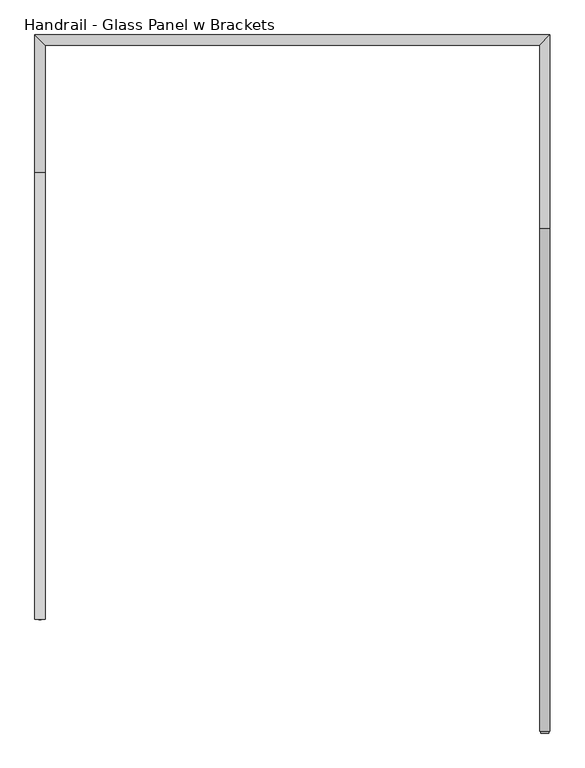
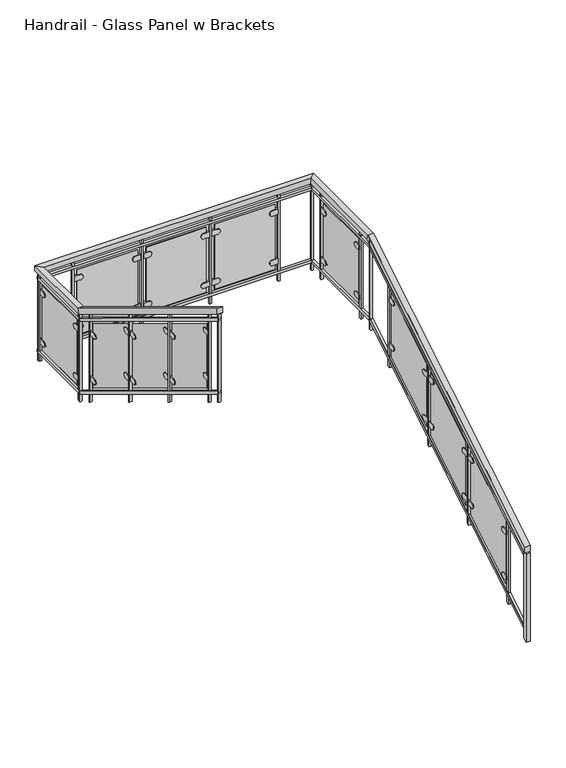
"""IFC4 building model written with IfcOpenShell, lengths in millimetres: railing geometry, Handrail - Glass Panel w Brackets."""

from ifc_helpers import new_model, si_unit, point, frame, frame_2d, origin, place, context, project, spatial, polyline, circle_curve, ellipse_curve, trimmed, segment, composite_curve, outline, extrude, faceted_brep, source, transform, mapped, element, save
from ifc_brep_helpers import plane_surface, cylinder_surface, advanced_brep


def handrail_glass_panel_w_brackets_3d0bd08e(model_context):
    return source(origin(), model_context, "Body", "SolidModel", [
        faceted_brep([(-15213.5978678, -2131.266536, 1083.7333333), (-15264.3978678, -2131.266536, 1083.7333333), (-15264.3978678, -2131.266536, 1024.3318731), (-15213.5978678, -2131.266536, 1024.3318731), (-15213.5978678, 383.333464, 2607.7333333), (-15264.3978678, 383.333464, 2607.7333333), (-15264.3978678, 397.5258734, 2556.9333333), (-15213.5978678, 397.5258734, 2556.9333333), (-15213.5978678, 1348.533464, 2607.7333333), (-15264.3978678, 1297.733464, 2607.7333333), (-15264.3978678, 1297.733464, 2556.9333333), (-15213.5978678, 1348.533464, 2556.9333333), (-17790.2743809, 1348.533464, 2607.7333333), (-17739.4743809, 1297.733464, 2607.7333333), (-17739.4743809, 1297.733464, 2556.9333333), (-17790.2743809, 1348.533464, 2556.9333333), (-17790.2743809, 662.733464, 2607.7333333), (-17739.4743809, 662.733464, 2607.7333333), (-17739.4743809, 648.5410545, 2556.9333333), (-17790.2743809, 648.5410545, 2556.9333333), (-17790.2743809, -1572.466536, 3962.4), (-17790.2743809, -1572.466536, 3902.9985397), (-17739.4743809, -1572.466536, 3902.9985397), (-17739.4743809, -1572.466536, 3962.4)], [[[0, 1, 2, 3]], [[1, 0, 4, 5]], [[2, 1, 5, 6]], [[3, 2, 6, 7]], [[0, 3, 7, 4]], [[5, 4, 8, 9]], [[6, 5, 9, 10]], [[7, 6, 10, 11]], [[4, 7, 11, 8]], [[9, 8, 12, 13]], [[10, 9, 13, 14]], [[11, 10, 14, 15]], [[8, 11, 15, 12]], [[13, 12, 16, 17]], [[14, 13, 17, 18]], [[15, 14, 18, 19]], [[12, 15, 19, 16]], [[20, 21, 22, 23]], [[17, 16, 20, 23]], [[18, 17, 23, 22]], [[19, 18, 22, 21]], [[16, 19, 21, 20]]]),
        faceted_brep([(-15226.2978678, -2131.266536, 982.1333333), (-15251.6978678, -2131.266536, 982.1333333), (-15251.6978678, -2131.266536, 952.4326032), (-15226.2978678, -2131.266536, 952.4326032), (-15226.2978678, 383.333464, 2506.1333333), (-15251.6978678, 383.333464, 2506.1333333), (-15251.6978678, 390.4296687, 2480.7333333), (-15226.2978678, 390.4296687, 2480.7333333), (-15226.2978678, 1335.833464, 2506.1333333), (-15251.6978678, 1310.433464, 2506.1333333), (-15251.6978678, 1310.433464, 2480.7333333), (-15226.2978678, 1335.833464, 2480.7333333), (-17777.5743809, 1335.833464, 2506.1333333), (-17752.1743809, 1310.433464, 2506.1333333), (-17752.1743809, 1310.433464, 2480.7333333), (-17777.5743809, 1335.833464, 2480.7333333), (-17777.5743809, 662.733464, 2506.1333333), (-17752.1743809, 662.733464, 2506.1333333), (-17752.1743809, 655.6372592, 2480.7333333), (-17777.5743809, 655.6372592, 2480.7333333), (-17777.5743809, -1572.466536, 3860.8), (-17777.5743809, -1572.466536, 3831.0992699), (-17752.1743809, -1572.466536, 3831.0992699), (-17752.1743809, -1572.466536, 3860.8)], [[[0, 1, 2, 3]], [[1, 0, 4, 5]], [[2, 1, 5, 6]], [[3, 2, 6, 7]], [[0, 3, 7, 4]], [[5, 4, 8, 9]], [[6, 5, 9, 10]], [[7, 6, 10, 11]], [[4, 7, 11, 8]], [[9, 8, 12, 13]], [[10, 9, 13, 14]], [[11, 10, 14, 15]], [[8, 11, 15, 12]], [[13, 12, 16, 17]], [[14, 13, 17, 18]], [[15, 14, 18, 19]], [[12, 15, 19, 16]], [[20, 21, 22, 23]], [[17, 16, 20, 23]], [[18, 17, 23, 22]], [[19, 18, 22, 21]], [[16, 19, 21, 20]]]),
        faceted_brep([(-15226.2978678, -2131.266536, 270.9333333), (-15251.6978678, -2131.266536, 270.9333333), (-15251.6978678, -2131.266536, 241.2326032), (-15226.2978678, -2131.266536, 241.2326032), (-15226.2978678, 383.333464, 1794.9333333), (-15251.6978678, 383.333464, 1794.9333333), (-15251.6978678, 390.4296687, 1769.5333333), (-15226.2978678, 390.4296687, 1769.5333333), (-15226.2978678, 1335.833464, 1794.9333333), (-15251.6978678, 1310.433464, 1794.9333333), (-15251.6978678, 1310.433464, 1769.5333333), (-15226.2978678, 1335.833464, 1769.5333333), (-17777.5743809, 1335.833464, 1794.9333333), (-17752.1743809, 1310.433464, 1794.9333333), (-17752.1743809, 1310.433464, 1769.5333333), (-17777.5743809, 1335.833464, 1769.5333333), (-17777.5743809, 662.733464, 1794.9333333), (-17752.1743809, 662.733464, 1794.9333333), (-17752.1743809, 655.6372592, 1769.5333333), (-17777.5743809, 655.6372592, 1769.5333333), (-17777.5743809, -1572.466536, 3149.6), (-17777.5743809, -1572.466536, 3119.8992699), (-17752.1743809, -1572.466536, 3119.8992699), (-17752.1743809, -1572.466536, 3149.6)], [[[0, 1, 2, 3]], [[1, 0, 4, 5]], [[2, 1, 5, 6]], [[3, 2, 6, 7]], [[0, 3, 7, 4]], [[5, 4, 8, 9]], [[6, 5, 9, 10]], [[7, 6, 10, 11]], [[4, 7, 11, 8]], [[9, 8, 12, 13]], [[10, 9, 13, 14]], [[11, 10, 14, 15]], [[8, 11, 15, 12]], [[13, 12, 16, 17]], [[14, 13, 17, 18]], [[15, 14, 18, 19]], [[12, 15, 19, 16]], [[20, 21, 22, 23]], [[17, 16, 20, 23]], [[18, 17, 23, 22]], [[19, 18, 22, 21]], [[16, 19, 21, 20]]]),
        extrude(outline(polyline([(-1416.891536, 3808.710661), (-1397.841536, 3797.1652064), (-1397.841536, 2933.8356134), (-1416.891536, 2945.381068), (-1416.891536, 3808.710661)])), frame((-17774.3993809, 0.0, 0.0), z_axis=(1.0, 0.0, 0.0), x_axis=(0.0, 1.0, 0.0)), (0.0, 0.0, 1.0), 19.05),
        extrude(outline(composite_curve([segment(trimmed(circle_curve(frame_2d((-1343.866536, 3604.5387736)), 25.4), [point((-1343.866536, 3629.9387736))], [point((-1343.866536, 3579.1387736))], False, "CARTESIAN"), True, "CONTINUOUS"), segment(polyline([(-1343.866536, 3579.1387736), (-1394.666536, 3579.1387736), (-1394.666536, 3629.9387736), (-1343.866536, 3629.9387736)]), True, "CONTINUOUS")], self_intersect=False)), frame((-17771.2243809, 0.0, 0.0), z_axis=(1.0, 0.0, 0.0), x_axis=(0.0, 1.0, 0.0)), (0.0, 0.0, 1.0), 19.05),
        extrude(outline(composite_curve([segment(polyline([(-835.866536, 3260.4842282), (-785.066536, 3260.4842282), (-785.066536, 3209.6842282), (-835.866536, 3209.6842282)]), True, "CONTINUOUS"), segment(trimmed(circle_curve(frame_2d((-835.866536, 3235.0842282)), 25.4), [point((-835.866536, 3209.6842282))], [point((-835.866536, 3260.4842282))], False, "CARTESIAN"), True, "CONTINUOUS")], self_intersect=False)), frame((-17771.2243809, 0.0, 0.0), z_axis=(1.0, 0.0, 0.0), x_axis=(0.0, 1.0, 0.0)), (0.0, 0.0, 1.0), 19.05),
        extrude(outline(composite_curve([segment(trimmed(circle_curve(frame_2d((-1343.866536, 3160.6453447)), 25.4), [point((-1343.866536, 3186.0453447))], [point((-1343.866536, 3135.2453447))], False, "CARTESIAN"), True, "CONTINUOUS"), segment(polyline([(-1343.866536, 3135.2453447), (-1394.666536, 3135.2453447), (-1394.666536, 3186.0453447), (-1343.866536, 3186.0453447)]), True, "CONTINUOUS")], self_intersect=False)), frame((-17771.2243809, 0.0, 0.0), z_axis=(1.0, 0.0, 0.0), x_axis=(0.0, 1.0, 0.0)), (0.0, 0.0, 1.0), 19.05),
        extrude(outline(composite_curve([segment(polyline([(-835.866536, 2816.5907993), (-785.066536, 2816.5907993), (-785.066536, 2765.7907993), (-835.866536, 2765.7907993)]), True, "CONTINUOUS"), segment(trimmed(circle_curve(frame_2d((-835.866536, 2791.1907993)), 25.4), [point((-835.866536, 2765.7907993))], [point((-835.866536, 2816.5907993))], False, "CARTESIAN"), True, "CONTINUOUS")], self_intersect=False)), frame((-17771.2243809, 0.0, 0.0), z_axis=(1.0, 0.0, 0.0), x_axis=(0.0, 1.0, 0.0)), (0.0, 0.0, 1.0), 19.05),
        extrude(outline(polyline([(-810.466536, 3339.5803579), (-810.466536, 2717.4825483), (-1369.266536, 3056.149215), (-1369.266536, 3678.2470246), (-810.466536, 3339.5803579)])), frame((-17764.8743809, 0.0, 0.0), z_axis=(1.0, 0.0, 0.0), x_axis=(0.0, 1.0, 0.0)), (0.0, 0.0, 1.0), 6.35),
        extrude(outline(polyline([(-781.891536, 3423.8621761), (-762.841536, 3412.3167216), (-762.841536, 2548.9871286), (-781.891536, 2560.5325831), (-781.891536, 3423.8621761)])), frame((-17774.3993809, 0.0, 0.0), z_axis=(1.0, 0.0, 0.0), x_axis=(0.0, 1.0, 0.0)), (0.0, 0.0, 1.0), 19.05),
        extrude(outline(composite_curve([segment(trimmed(circle_curve(frame_2d((-708.866536, 3219.6902888)), 25.4), [point((-708.866536, 3245.0902888))], [point((-708.866536, 3194.2902888))], False, "CARTESIAN"), True, "CONTINUOUS"), segment(polyline([(-708.866536, 3194.2902888), (-759.666536, 3194.2902888), (-759.666536, 3245.0902888), (-708.866536, 3245.0902888)]), True, "CONTINUOUS")], self_intersect=False)), frame((-17771.2243809, 0.0, 0.0), z_axis=(1.0, 0.0, 0.0), x_axis=(0.0, 1.0, 0.0)), (0.0, 0.0, 1.0), 19.05),
        extrude(outline(composite_curve([segment(polyline([(-200.866536, 2875.6357433), (-150.066536, 2875.6357433), (-150.066536, 2824.8357433), (-200.866536, 2824.8357433)]), True, "CONTINUOUS"), segment(trimmed(circle_curve(frame_2d((-200.866536, 2850.2357433)), 25.4), [point((-200.866536, 2824.8357433))], [point((-200.866536, 2875.6357433))], False, "CARTESIAN"), True, "CONTINUOUS")], self_intersect=False)), frame((-17771.2243809, 0.0, 0.0), z_axis=(1.0, 0.0, 0.0), x_axis=(0.0, 1.0, 0.0)), (0.0, 0.0, 1.0), 19.05),
        extrude(outline(composite_curve([segment(trimmed(circle_curve(frame_2d((-708.866536, 2775.7968599)), 25.4), [point((-708.866536, 2801.1968599))], [point((-708.866536, 2750.3968599))], False, "CARTESIAN"), True, "CONTINUOUS"), segment(polyline([(-708.866536, 2750.3968599), (-759.666536, 2750.3968599), (-759.666536, 2801.1968599), (-708.866536, 2801.1968599)]), True, "CONTINUOUS")], self_intersect=False)), frame((-17771.2243809, 0.0, 0.0), z_axis=(1.0, 0.0, 0.0), x_axis=(0.0, 1.0, 0.0)), (0.0, 0.0, 1.0), 19.05),
        extrude(outline(composite_curve([segment(polyline([(-200.866536, 2431.7423144), (-150.066536, 2431.7423144), (-150.066536, 2380.9423144), (-200.866536, 2380.9423144)]), True, "CONTINUOUS"), segment(trimmed(circle_curve(frame_2d((-200.866536, 2406.3423144)), 25.4), [point((-200.866536, 2380.9423144))], [point((-200.866536, 2431.7423144))], False, "CARTESIAN"), True, "CONTINUOUS")], self_intersect=False)), frame((-17771.2243809, 0.0, 0.0), z_axis=(1.0, 0.0, 0.0), x_axis=(0.0, 1.0, 0.0)), (0.0, 0.0, 1.0), 19.05),
        extrude(outline(polyline([(-175.466536, 2954.7318731), (-175.466536, 2332.6340635), (-734.266536, 2671.3007301), (-734.266536, 3293.3985397), (-175.466536, 2954.7318731)])), frame((-17764.8743809, 0.0, 0.0), z_axis=(1.0, 0.0, 0.0), x_axis=(0.0, 1.0, 0.0)), (0.0, 0.0, 1.0), 6.35),
        extrude(outline(polyline([(-146.891536, 3039.0136913), (-127.841536, 3027.4682367), (-127.841536, 2164.1386437), (-146.891536, 2175.6840983), (-146.891536, 3039.0136913)])), frame((-17774.3993809, 0.0, 0.0), z_axis=(1.0, 0.0, 0.0), x_axis=(0.0, 1.0, 0.0)), (0.0, 0.0, 1.0), 19.05),
        extrude(outline(composite_curve([segment(trimmed(circle_curve(frame_2d((-73.866536, 2834.8418039)), 25.4), [point((-73.866536, 2860.2418039))], [point((-73.866536, 2809.4418039))], False, "CARTESIAN"), True, "CONTINUOUS"), segment(polyline([(-73.866536, 2809.4418039), (-124.666536, 2809.4418039), (-124.666536, 2860.2418039), (-73.866536, 2860.2418039)]), True, "CONTINUOUS")], self_intersect=False)), frame((-17771.2243809, 0.0, 0.0), z_axis=(1.0, 0.0, 0.0), x_axis=(0.0, 1.0, 0.0)), (0.0, 0.0, 1.0), 19.05),
        extrude(outline(composite_curve([segment(polyline([(434.133464, 2490.7872585), (484.933464, 2490.7872585), (484.933464, 2439.9872585), (434.133464, 2439.9872585)]), True, "CONTINUOUS"), segment(trimmed(circle_curve(frame_2d((434.133464, 2465.3872585)), 25.4), [point((434.133464, 2439.9872585))], [point((434.133464, 2490.7872585))], False, "CARTESIAN"), True, "CONTINUOUS")], self_intersect=False)), frame((-17771.2243809, 0.0, 0.0), z_axis=(1.0, 0.0, 0.0), x_axis=(0.0, 1.0, 0.0)), (0.0, 0.0, 1.0), 19.05),
        extrude(outline(composite_curve([segment(trimmed(circle_curve(frame_2d((-73.866536, 2390.9483751)), 25.4), [point((-73.866536, 2416.3483751))], [point((-73.866536, 2365.5483751))], False, "CARTESIAN"), True, "CONTINUOUS"), segment(polyline([(-73.866536, 2365.5483751), (-124.666536, 2365.5483751), (-124.666536, 2416.3483751), (-73.866536, 2416.3483751)]), True, "CONTINUOUS")], self_intersect=False)), frame((-17771.2243809, 0.0, 0.0), z_axis=(1.0, 0.0, 0.0), x_axis=(0.0, 1.0, 0.0)), (0.0, 0.0, 1.0), 19.05),
        extrude(outline(composite_curve([segment(polyline([(434.133464, 2046.8938296), (484.933464, 2046.8938296), (484.933464, 1996.0938296), (434.133464, 1996.0938296)]), True, "CONTINUOUS"), segment(trimmed(circle_curve(frame_2d((434.133464, 2021.4938296)), 25.4), [point((434.133464, 1996.0938296))], [point((434.133464, 2046.8938296))], False, "CARTESIAN"), True, "CONTINUOUS")], self_intersect=False)), frame((-17771.2243809, 0.0, 0.0), z_axis=(1.0, 0.0, 0.0), x_axis=(0.0, 1.0, 0.0)), (0.0, 0.0, 1.0), 19.05),
        extrude(outline(polyline([(459.533464, 2569.8833882), (459.533464, 1947.7855786), (-99.266536, 2286.4522453), (-99.266536, 2908.5500549), (459.533464, 2569.8833882)])), frame((-17764.8743809, 0.0, 0.0), z_axis=(1.0, 0.0, 0.0), x_axis=(0.0, 1.0, 0.0)), (0.0, 0.0, 1.0), 6.35),
        extrude(outline(polyline([(488.108464, 2654.1652064), (507.158464, 2642.6197519), (507.158464, 1779.2901589), (488.108464, 1790.8356134), (488.108464, 2654.1652064)])), frame((-17774.3993809, 0.0, 0.0), z_axis=(1.0, 0.0, 0.0), x_axis=(0.0, 1.0, 0.0)), (0.0, 0.0, 1.0), 19.05),
        extrude(outline(polyline([(-17774.3993809, 684.958464), (-17755.3493809, 684.958464), (-17755.3493809, 665.908464), (-17774.3993809, 665.908464), (-17774.3993809, 684.958464)])), frame((0.0, 0.0, 1695.7303208), z_axis=(0.0, 0.0, 1.0), x_axis=(1.0, 0.0, 0.0)), (0.0, 0.0, 1.0), 861.2030125),
        extrude(outline(composite_curve([segment(trimmed(circle_curve(frame_2d((738.933464, 2379.1333333)), 25.4), [point((738.933464, 2404.5333333))], [point((738.933464, 2353.7333333))], False, "CARTESIAN"), True, "CONTINUOUS"), segment(polyline([(738.933464, 2353.7333333), (688.133464, 2353.7333333), (688.133464, 2404.5333333), (738.933464, 2404.5333333)]), True, "CONTINUOUS")], self_intersect=False)), frame((-17771.2243809, 0.0, 0.0), z_axis=(1.0, 0.0, 0.0), x_axis=(0.0, 1.0, 0.0)), (0.0, 0.0, 1.0), 19.05),
        extrude(outline(composite_curve([segment(polyline([(1246.933464, 2404.5333333), (1297.733464, 2404.5333333), (1297.733464, 2353.7333333), (1246.933464, 2353.7333333)]), True, "CONTINUOUS"), segment(trimmed(circle_curve(frame_2d((1246.933464, 2379.1333333)), 25.4), [point((1246.933464, 2353.7333333))], [point((1246.933464, 2404.5333333))], False, "CARTESIAN"), True, "CONTINUOUS")], self_intersect=False)), frame((-17771.2243809, 0.0, 0.0), z_axis=(1.0, 0.0, 0.0), x_axis=(0.0, 1.0, 0.0)), (0.0, 0.0, 1.0), 19.05),
        extrude(outline(composite_curve([segment(trimmed(circle_curve(frame_2d((738.933464, 1896.5333333)), 25.4), [point((738.933464, 1921.9333333))], [point((738.933464, 1871.1333333))], False, "CARTESIAN"), True, "CONTINUOUS"), segment(polyline([(738.933464, 1871.1333333), (688.133464, 1871.1333333), (688.133464, 1921.9333333), (738.933464, 1921.9333333)]), True, "CONTINUOUS")], self_intersect=False)), frame((-17771.2243809, 0.0, 0.0), z_axis=(1.0, 0.0, 0.0), x_axis=(0.0, 1.0, 0.0)), (0.0, 0.0, 1.0), 19.05),
        extrude(outline(composite_curve([segment(polyline([(1246.933464, 1921.9333333), (1297.733464, 1921.9333333), (1297.733464, 1871.1333333), (1246.933464, 1871.1333333)]), True, "CONTINUOUS"), segment(trimmed(circle_curve(frame_2d((1246.933464, 1896.5333333)), 25.4), [point((1246.933464, 1871.1333333))], [point((1246.933464, 1921.9333333))], False, "CARTESIAN"), True, "CONTINUOUS")], self_intersect=False)), frame((-17771.2243809, 0.0, 0.0), z_axis=(1.0, 0.0, 0.0), x_axis=(0.0, 1.0, 0.0)), (0.0, 0.0, 1.0), 19.05),
        extrude(outline(polyline([(-17758.5243809, 1272.333464), (-17758.5243809, 713.533464), (-17764.8743809, 713.533464), (-17764.8743809, 1272.333464), (-17758.5243809, 1272.333464)])), frame((0.0, 0.0, 1820.3333333), z_axis=(0.0, 0.0, 1.0), x_axis=(1.0, 0.0, 0.0)), (0.0, 0.0, 1.0), 635.0),
        extrude(outline(polyline([(-17774.3993809, 1319.958464), (-17755.3493809, 1319.958464), (-17755.3493809, 1300.908464), (-17774.3993809, 1300.908464), (-17774.3993809, 1319.958464)])), frame((0.0, 0.0, 1695.7303208), z_axis=(0.0, 0.0, 1.0), x_axis=(1.0, 0.0, 0.0)), (0.0, 0.0, 1.0), 861.2030125),
        extrude(outline(polyline([(-17444.9111244, 1332.658464), (-17444.9111244, 1313.608464), (-17463.9611244, 1313.608464), (-17463.9611244, 1332.658464), (-17444.9111244, 1332.658464)])), frame((0.0, 0.0, 1695.7303208), z_axis=(0.0, 0.0, 1.0), x_axis=(1.0, 0.0, 0.0)), (0.0, 0.0, 1.0), 861.2030125),
        extrude(outline(composite_curve([segment(polyline([(2404.5333333, -17390.9361244), (2404.5333333, -17441.7361244), (2353.7333333, -17441.7361244), (2353.7333333, -17390.9361244)]), True, "CONTINUOUS"), segment(trimmed(circle_curve(frame_2d((2379.1333333, -17390.9361244)), 25.4), [point((2353.7333333, -17390.9361244))], [point((2404.5333333, -17390.9361244))], False, "CARTESIAN"), True, "CONTINUOUS")], self_intersect=False)), frame((0.0, 1310.433464, 0.0), z_axis=(0.0, 1.0, 0.0), x_axis=(0.0, 0.0, 1.0)), (0.0, 0.0, 1.0), 19.05),
        extrude(outline(composite_curve([segment(trimmed(circle_curve(frame_2d((2379.1333333, -16882.9361244)), 25.4), [point((2404.5333333, -16882.9361244))], [point((2353.7333333, -16882.9361244))], False, "CARTESIAN"), True, "CONTINUOUS"), segment(polyline([(2353.7333333, -16882.9361244), (2353.7333333, -16832.1361244), (2404.5333333, -16832.1361244), (2404.5333333, -16882.9361244)]), True, "CONTINUOUS")], self_intersect=False)), frame((0.0, 1310.433464, 0.0), z_axis=(0.0, 1.0, 0.0), x_axis=(0.0, 0.0, 1.0)), (0.0, 0.0, 1.0), 19.05),
        extrude(outline(composite_curve([segment(polyline([(1921.9333333, -17390.9361244), (1921.9333333, -17441.7361244), (1871.1333333, -17441.7361244), (1871.1333333, -17390.9361244)]), True, "CONTINUOUS"), segment(trimmed(circle_curve(frame_2d((1896.5333333, -17390.9361244)), 25.4), [point((1871.1333333, -17390.9361244))], [point((1921.9333333, -17390.9361244))], False, "CARTESIAN"), True, "CONTINUOUS")], self_intersect=False)), frame((0.0, 1310.433464, 0.0), z_axis=(0.0, 1.0, 0.0), x_axis=(0.0, 0.0, 1.0)), (0.0, 0.0, 1.0), 19.05),
        extrude(outline(composite_curve([segment(trimmed(circle_curve(frame_2d((1896.5333333, -16882.9361244)), 25.4), [point((1921.9333333, -16882.9361244))], [point((1871.1333333, -16882.9361244))], False, "CARTESIAN"), True, "CONTINUOUS"), segment(polyline([(1871.1333333, -16882.9361244), (1871.1333333, -16832.1361244), (1921.9333333, -16832.1361244), (1921.9333333, -16882.9361244)]), True, "CONTINUOUS")], self_intersect=False)), frame((0.0, 1310.433464, 0.0), z_axis=(0.0, 1.0, 0.0), x_axis=(0.0, 0.0, 1.0)), (0.0, 0.0, 1.0), 19.05),
        extrude(outline(polyline([(-16857.5361244, 1316.783464), (-17416.3361244, 1316.783464), (-17416.3361244, 1323.133464), (-16857.5361244, 1323.133464), (-16857.5361244, 1316.783464)])), frame((0.0, 0.0, 1820.3333333), z_axis=(0.0, 0.0, 1.0), x_axis=(1.0, 0.0, 0.0)), (0.0, 0.0, 1.0), 635.0),
        extrude(outline(polyline([(-16809.9111244, 1332.658464), (-16809.9111244, 1313.608464), (-16828.9611244, 1313.608464), (-16828.9611244, 1332.658464), (-16809.9111244, 1332.658464)])), frame((0.0, 0.0, 1695.7303208), z_axis=(0.0, 0.0, 1.0), x_axis=(1.0, 0.0, 0.0)), (0.0, 0.0, 1.0), 861.2030125),
        extrude(outline(composite_curve([segment(polyline([(2404.5333333, -16755.9361244), (2404.5333333, -16806.7361244), (2353.7333333, -16806.7361244), (2353.7333333, -16755.9361244)]), True, "CONTINUOUS"), segment(trimmed(circle_curve(frame_2d((2379.1333333, -16755.9361244)), 25.4), [point((2353.7333333, -16755.9361244))], [point((2404.5333333, -16755.9361244))], False, "CARTESIAN"), True, "CONTINUOUS")], self_intersect=False)), frame((0.0, 1310.433464, 0.0), z_axis=(0.0, 1.0, 0.0), x_axis=(0.0, 0.0, 1.0)), (0.0, 0.0, 1.0), 19.05),
        extrude(outline(composite_curve([segment(trimmed(circle_curve(frame_2d((2379.1333333, -16247.9361244)), 25.4), [point((2404.5333333, -16247.9361244))], [point((2353.7333333, -16247.9361244))], False, "CARTESIAN"), True, "CONTINUOUS"), segment(polyline([(2353.7333333, -16247.9361244), (2353.7333333, -16197.1361244), (2404.5333333, -16197.1361244), (2404.5333333, -16247.9361244)]), True, "CONTINUOUS")], self_intersect=False)), frame((0.0, 1310.433464, 0.0), z_axis=(0.0, 1.0, 0.0), x_axis=(0.0, 0.0, 1.0)), (0.0, 0.0, 1.0), 19.05),
        extrude(outline(composite_curve([segment(polyline([(1921.9333333, -16755.9361244), (1921.9333333, -16806.7361244), (1871.1333333, -16806.7361244), (1871.1333333, -16755.9361244)]), True, "CONTINUOUS"), segment(trimmed(circle_curve(frame_2d((1896.5333333, -16755.9361244)), 25.4), [point((1871.1333333, -16755.9361244))], [point((1921.9333333, -16755.9361244))], False, "CARTESIAN"), True, "CONTINUOUS")], self_intersect=False)), frame((0.0, 1310.433464, 0.0), z_axis=(0.0, 1.0, 0.0), x_axis=(0.0, 0.0, 1.0)), (0.0, 0.0, 1.0), 19.05),
        extrude(outline(composite_curve([segment(trimmed(circle_curve(frame_2d((1896.5333333, -16247.9361244)), 25.4), [point((1921.9333333, -16247.9361244))], [point((1871.1333333, -16247.9361244))], False, "CARTESIAN"), True, "CONTINUOUS"), segment(polyline([(1871.1333333, -16247.9361244), (1871.1333333, -16197.1361244), (1921.9333333, -16197.1361244), (1921.9333333, -16247.9361244)]), True, "CONTINUOUS")], self_intersect=False)), frame((0.0, 1310.433464, 0.0), z_axis=(0.0, 1.0, 0.0), x_axis=(0.0, 0.0, 1.0)), (0.0, 0.0, 1.0), 19.05),
        extrude(outline(polyline([(-16222.5361244, 1316.783464), (-16781.3361244, 1316.783464), (-16781.3361244, 1323.133464), (-16222.5361244, 1323.133464), (-16222.5361244, 1316.783464)])), frame((0.0, 0.0, 1820.3333333), z_axis=(0.0, 0.0, 1.0), x_axis=(1.0, 0.0, 0.0)), (0.0, 0.0, 1.0), 635.0),
        extrude(outline(polyline([(-16174.9111244, 1332.658464), (-16174.9111244, 1313.608464), (-16193.9611244, 1313.608464), (-16193.9611244, 1332.658464), (-16174.9111244, 1332.658464)])), frame((0.0, 0.0, 1695.7303208), z_axis=(0.0, 0.0, 1.0), x_axis=(1.0, 0.0, 0.0)), (0.0, 0.0, 1.0), 861.2030125),
        extrude(outline(composite_curve([segment(polyline([(2404.5333333, -16120.9361244), (2404.5333333, -16171.7361244), (2353.7333333, -16171.7361244), (2353.7333333, -16120.9361244)]), True, "CONTINUOUS"), segment(trimmed(circle_curve(frame_2d((2379.1333333, -16120.9361244)), 25.4), [point((2353.7333333, -16120.9361244))], [point((2404.5333333, -16120.9361244))], False, "CARTESIAN"), True, "CONTINUOUS")], self_intersect=False)), frame((0.0, 1310.433464, 0.0), z_axis=(0.0, 1.0, 0.0), x_axis=(0.0, 0.0, 1.0)), (0.0, 0.0, 1.0), 19.05),
        extrude(outline(composite_curve([segment(trimmed(circle_curve(frame_2d((2379.1333333, -15612.9361244)), 25.4), [point((2404.5333333, -15612.9361244))], [point((2353.7333333, -15612.9361244))], False, "CARTESIAN"), True, "CONTINUOUS"), segment(polyline([(2353.7333333, -15612.9361244), (2353.7333333, -15562.1361244), (2404.5333333, -15562.1361244), (2404.5333333, -15612.9361244)]), True, "CONTINUOUS")], self_intersect=False)), frame((0.0, 1310.433464, 0.0), z_axis=(0.0, 1.0, 0.0), x_axis=(0.0, 0.0, 1.0)), (0.0, 0.0, 1.0), 19.05),
        extrude(outline(composite_curve([segment(polyline([(1921.9333333, -16120.9361244), (1921.9333333, -16171.7361244), (1871.1333333, -16171.7361244), (1871.1333333, -16120.9361244)]), True, "CONTINUOUS"), segment(trimmed(circle_curve(frame_2d((1896.5333333, -16120.9361244)), 25.4), [point((1871.1333333, -16120.9361244))], [point((1921.9333333, -16120.9361244))], False, "CARTESIAN"), True, "CONTINUOUS")], self_intersect=False)), frame((0.0, 1310.433464, 0.0), z_axis=(0.0, 1.0, 0.0), x_axis=(0.0, 0.0, 1.0)), (0.0, 0.0, 1.0), 19.05),
        extrude(outline(composite_curve([segment(trimmed(circle_curve(frame_2d((1896.5333333, -15612.9361244)), 25.4), [point((1921.9333333, -15612.9361244))], [point((1871.1333333, -15612.9361244))], False, "CARTESIAN"), True, "CONTINUOUS"), segment(polyline([(1871.1333333, -15612.9361244), (1871.1333333, -15562.1361244), (1921.9333333, -15562.1361244), (1921.9333333, -15612.9361244)]), True, "CONTINUOUS")], self_intersect=False)), frame((0.0, 1310.433464, 0.0), z_axis=(0.0, 1.0, 0.0), x_axis=(0.0, 0.0, 1.0)), (0.0, 0.0, 1.0), 19.05),
        extrude(outline(polyline([(-15587.5361244, 1316.783464), (-16146.3361244, 1316.783464), (-16146.3361244, 1323.133464), (-15587.5361244, 1323.133464), (-15587.5361244, 1316.783464)])), frame((0.0, 0.0, 1820.3333333), z_axis=(0.0, 0.0, 1.0), x_axis=(1.0, 0.0, 0.0)), (0.0, 0.0, 1.0), 635.0),
        extrude(outline(polyline([(-15539.9111244, 1332.658464), (-15539.9111244, 1313.608464), (-15558.9611244, 1313.608464), (-15558.9611244, 1332.658464), (-15539.9111244, 1332.658464)])), frame((0.0, 0.0, 1695.7303208), z_axis=(0.0, 0.0, 1.0), x_axis=(1.0, 0.0, 0.0)), (0.0, 0.0, 1.0), 861.2030125),
        extrude(outline(polyline([(-15229.4728678, 1161.208464), (-15248.5228678, 1161.208464), (-15248.5228678, 1180.258464), (-15229.4728678, 1180.258464), (-15229.4728678, 1161.208464)])), frame((0.0, 0.0, 1695.7303208), z_axis=(0.0, 0.0, 1.0), x_axis=(1.0, 0.0, 0.0)), (0.0, 0.0, 1.0), 861.2030125),
        extrude(outline(composite_curve([segment(polyline([(1107.233464, 2404.5333333), (1158.033464, 2404.5333333), (1158.033464, 2353.7333333), (1107.233464, 2353.7333333)]), True, "CONTINUOUS"), segment(trimmed(circle_curve(frame_2d((1107.233464, 2379.1333333)), 25.4), [point((1107.233464, 2353.7333333))], [point((1107.233464, 2404.5333333))], False, "CARTESIAN"), True, "CONTINUOUS")], self_intersect=False)), frame((-15251.6978678, 0.0, 0.0), z_axis=(1.0, 0.0, 0.0), x_axis=(0.0, 1.0, 0.0)), (0.0, 0.0, 1.0), 19.05),
        extrude(outline(composite_curve([segment(trimmed(circle_curve(frame_2d((599.233464, 2379.1333333)), 25.4), [point((599.233464, 2404.5333333))], [point((599.233464, 2353.7333333))], False, "CARTESIAN"), True, "CONTINUOUS"), segment(polyline([(599.233464, 2353.7333333), (548.433464, 2353.7333333), (548.433464, 2404.5333333), (599.233464, 2404.5333333)]), True, "CONTINUOUS")], self_intersect=False)), frame((-15251.6978678, 0.0, 0.0), z_axis=(1.0, 0.0, 0.0), x_axis=(0.0, 1.0, 0.0)), (0.0, 0.0, 1.0), 19.05),
        extrude(outline(composite_curve([segment(polyline([(1107.233464, 1921.9333333), (1158.033464, 1921.9333333), (1158.033464, 1871.1333333), (1107.233464, 1871.1333333)]), True, "CONTINUOUS"), segment(trimmed(circle_curve(frame_2d((1107.233464, 1896.5333333)), 25.4), [point((1107.233464, 1871.1333333))], [point((1107.233464, 1921.9333333))], False, "CARTESIAN"), True, "CONTINUOUS")], self_intersect=False)), frame((-15251.6978678, 0.0, 0.0), z_axis=(1.0, 0.0, 0.0), x_axis=(0.0, 1.0, 0.0)), (0.0, 0.0, 1.0), 19.05),
        extrude(outline(composite_curve([segment(trimmed(circle_curve(frame_2d((599.233464, 1896.5333333)), 25.4), [point((599.233464, 1921.9333333))], [point((599.233464, 1871.1333333))], False, "CARTESIAN"), True, "CONTINUOUS"), segment(polyline([(599.233464, 1871.1333333), (548.433464, 1871.1333333), (548.433464, 1921.9333333), (599.233464, 1921.9333333)]), True, "CONTINUOUS")], self_intersect=False)), frame((-15251.6978678, 0.0, 0.0), z_axis=(1.0, 0.0, 0.0), x_axis=(0.0, 1.0, 0.0)), (0.0, 0.0, 1.0), 19.05),
        extrude(outline(polyline([(-15245.3478678, 573.833464), (-15245.3478678, 1132.633464), (-15238.9978678, 1132.633464), (-15238.9978678, 573.833464), (-15245.3478678, 573.833464)])), frame((0.0, 0.0, 1820.3333333), z_axis=(0.0, 0.0, 1.0), x_axis=(1.0, 0.0, 0.0)), (0.0, 0.0, 1.0), 635.0),
        extrude(outline(polyline([(-15229.4728678, 526.208464), (-15248.5228678, 526.208464), (-15248.5228678, 545.258464), (-15229.4728678, 545.258464), (-15229.4728678, 526.208464)])), frame((0.0, 0.0, 1695.7303208), z_axis=(0.0, 0.0, 1.0), x_axis=(1.0, 0.0, 0.0)), (0.0, 0.0, 1.0), 861.2030125),
        extrude(outline(polyline([(69.008464, 2357.8318731), (88.058464, 2369.3773276), (88.058464, 1506.0477346), (69.008464, 1494.5022801), (69.008464, 2357.8318731)])), frame((-15248.5228678, 0.0, 0.0), z_axis=(1.0, 0.0, 0.0), x_axis=(0.0, 1.0, 0.0)), (0.0, 0.0, 1.0), 19.05),
        extrude(outline(composite_curve([segment(polyline([(15.033464, 2190.6054403), (65.833464, 2190.6054403), (65.833464, 2139.8054403), (15.033464, 2139.8054403)]), True, "CONTINUOUS"), segment(trimmed(circle_curve(frame_2d((15.033464, 2165.2054403)), 25.4), [point((15.033464, 2139.8054403))], [point((15.033464, 2190.6054403))], False, "CARTESIAN"), True, "CONTINUOUS")], self_intersect=False)), frame((-15251.6978678, 0.0, 0.0), z_axis=(1.0, 0.0, 0.0), x_axis=(0.0, 1.0, 0.0)), (0.0, 0.0, 1.0), 19.05),
        extrude(outline(composite_curve([segment(trimmed(circle_curve(frame_2d((-492.966536, 1795.7508948)), 25.4), [point((-492.966536, 1821.1508948))], [point((-492.966536, 1770.3508948))], False, "CARTESIAN"), True, "CONTINUOUS"), segment(polyline([(-492.966536, 1770.3508948), (-543.766536, 1770.3508948), (-543.766536, 1821.1508948), (-492.966536, 1821.1508948)]), True, "CONTINUOUS")], self_intersect=False)), frame((-15251.6978678, 0.0, 0.0), z_axis=(1.0, 0.0, 0.0), x_axis=(0.0, 1.0, 0.0)), (0.0, 0.0, 1.0), 19.05),
        extrude(outline(composite_curve([segment(polyline([(15.033464, 1746.7120114), (65.833464, 1746.7120114), (65.833464, 1695.9120114), (15.033464, 1695.9120114)]), True, "CONTINUOUS"), segment(trimmed(circle_curve(frame_2d((15.033464, 1721.3120114)), 25.4), [point((15.033464, 1695.9120114))], [point((15.033464, 1746.7120114))], False, "CARTESIAN"), True, "CONTINUOUS")], self_intersect=False)), frame((-15251.6978678, 0.0, 0.0), z_axis=(1.0, 0.0, 0.0), x_axis=(0.0, 1.0, 0.0)), (0.0, 0.0, 1.0), 19.05),
        extrude(outline(composite_curve([segment(trimmed(circle_curve(frame_2d((-492.966536, 1351.857466)), 25.4), [point((-492.966536, 1377.257466))], [point((-492.966536, 1326.457466))], False, "CARTESIAN"), True, "CONTINUOUS"), segment(polyline([(-492.966536, 1326.457466), (-543.766536, 1326.457466), (-543.766536, 1377.257466), (-492.966536, 1377.257466)]), True, "CONTINUOUS")], self_intersect=False)), frame((-15251.6978678, 0.0, 0.0), z_axis=(1.0, 0.0, 0.0), x_axis=(0.0, 1.0, 0.0)), (0.0, 0.0, 1.0), 19.05),
        extrude(outline(polyline([(-518.366536, 1900.2470246), (40.433464, 2238.9136913), (40.433464, 1616.8158816), (-518.366536, 1278.149215), (-518.366536, 1900.2470246)])), frame((-15245.3478678, 0.0, 0.0), z_axis=(1.0, 0.0, 0.0), x_axis=(0.0, 1.0, 0.0)), (0.0, 0.0, 1.0), 6.35),
        extrude(outline(polyline([(-565.991536, 1972.9833882), (-546.941536, 1984.5288428), (-546.941536, 1121.1992498), (-565.991536, 1109.6537952), (-565.991536, 1972.9833882)])), frame((-15248.5228678, 0.0, 0.0), z_axis=(1.0, 0.0, 0.0), x_axis=(0.0, 1.0, 0.0)), (0.0, 0.0, 1.0), 19.05),
        extrude(outline(composite_curve([segment(polyline([(-619.966536, 1805.7569554), (-569.166536, 1805.7569554), (-569.166536, 1754.9569554), (-619.966536, 1754.9569554)]), True, "CONTINUOUS"), segment(trimmed(circle_curve(frame_2d((-619.966536, 1780.3569554)), 25.4), [point((-619.966536, 1754.9569554))], [point((-619.966536, 1805.7569554))], False, "CARTESIAN"), True, "CONTINUOUS")], self_intersect=False)), frame((-15251.6978678, 0.0, 0.0), z_axis=(1.0, 0.0, 0.0), x_axis=(0.0, 1.0, 0.0)), (0.0, 0.0, 1.0), 19.05),
        extrude(outline(composite_curve([segment(trimmed(circle_curve(frame_2d((-1127.966536, 1410.90241)), 25.4), [point((-1127.966536, 1436.30241))], [point((-1127.966536, 1385.50241))], False, "CARTESIAN"), True, "CONTINUOUS"), segment(polyline([(-1127.966536, 1385.50241), (-1178.766536, 1385.50241), (-1178.766536, 1436.30241), (-1127.966536, 1436.30241)]), True, "CONTINUOUS")], self_intersect=False)), frame((-15251.6978678, 0.0, 0.0), z_axis=(1.0, 0.0, 0.0), x_axis=(0.0, 1.0, 0.0)), (0.0, 0.0, 1.0), 19.05),
        extrude(outline(composite_curve([segment(polyline([(-619.966536, 1361.8635266), (-569.166536, 1361.8635266), (-569.166536, 1311.0635266), (-619.966536, 1311.0635266)]), True, "CONTINUOUS"), segment(trimmed(circle_curve(frame_2d((-619.966536, 1336.4635266)), 25.4), [point((-619.966536, 1311.0635266))], [point((-619.966536, 1361.8635266))], False, "CARTESIAN"), True, "CONTINUOUS")], self_intersect=False)), frame((-15251.6978678, 0.0, 0.0), z_axis=(1.0, 0.0, 0.0), x_axis=(0.0, 1.0, 0.0)), (0.0, 0.0, 1.0), 19.05),
        extrude(outline(composite_curve([segment(trimmed(circle_curve(frame_2d((-1127.966536, 967.0089811)), 25.4), [point((-1127.966536, 992.4089811))], [point((-1127.966536, 941.6089811))], False, "CARTESIAN"), True, "CONTINUOUS"), segment(polyline([(-1127.966536, 941.6089811), (-1178.766536, 941.6089811), (-1178.766536, 992.4089811), (-1127.966536, 992.4089811)]), True, "CONTINUOUS")], self_intersect=False)), frame((-15251.6978678, 0.0, 0.0), z_axis=(1.0, 0.0, 0.0), x_axis=(0.0, 1.0, 0.0)), (0.0, 0.0, 1.0), 19.05),
        extrude(outline(polyline([(-1153.366536, 1515.3985397), (-594.566536, 1854.0652064), (-594.566536, 1231.9673968), (-1153.366536, 893.3007301), (-1153.366536, 1515.3985397)])), frame((-15245.3478678, 0.0, 0.0), z_axis=(1.0, 0.0, 0.0), x_axis=(0.0, 1.0, 0.0)), (0.0, 0.0, 1.0), 6.35),
        extrude(outline(polyline([(-1200.991536, 1588.1349034), (-1181.941536, 1599.6803579), (-1181.941536, 736.3507649), (-1200.991536, 724.8053104), (-1200.991536, 1588.1349034)])), frame((-15248.5228678, 0.0, 0.0), z_axis=(1.0, 0.0, 0.0), x_axis=(0.0, 1.0, 0.0)), (0.0, 0.0, 1.0), 19.05),
        extrude(outline(composite_curve([segment(polyline([(-1254.966536, 1420.9084706), (-1204.166536, 1420.9084706), (-1204.166536, 1370.1084706), (-1254.966536, 1370.1084706)]), True, "CONTINUOUS"), segment(trimmed(circle_curve(frame_2d((-1254.966536, 1395.5084706)), 25.4), [point((-1254.966536, 1370.1084706))], [point((-1254.966536, 1420.9084706))], False, "CARTESIAN"), True, "CONTINUOUS")], self_intersect=False)), frame((-15251.6978678, 0.0, 0.0), z_axis=(1.0, 0.0, 0.0), x_axis=(0.0, 1.0, 0.0)), (0.0, 0.0, 1.0), 19.05),
        extrude(outline(composite_curve([segment(trimmed(circle_curve(frame_2d((-1762.966536, 1026.0539251)), 25.4), [point((-1762.966536, 1051.4539251))], [point((-1762.966536, 1000.6539251))], False, "CARTESIAN"), True, "CONTINUOUS"), segment(polyline([(-1762.966536, 1000.6539251), (-1813.766536, 1000.6539251), (-1813.766536, 1051.4539251), (-1762.966536, 1051.4539251)]), True, "CONTINUOUS")], self_intersect=False)), frame((-15251.6978678, 0.0, 0.0), z_axis=(1.0, 0.0, 0.0), x_axis=(0.0, 1.0, 0.0)), (0.0, 0.0, 1.0), 19.05),
        extrude(outline(composite_curve([segment(polyline([(-1254.966536, 977.0150417), (-1204.166536, 977.0150417), (-1204.166536, 926.2150417), (-1254.966536, 926.2150417)]), True, "CONTINUOUS"), segment(trimmed(circle_curve(frame_2d((-1254.966536, 951.6150417)), 25.4), [point((-1254.966536, 926.2150417))], [point((-1254.966536, 977.0150417))], False, "CARTESIAN"), True, "CONTINUOUS")], self_intersect=False)), frame((-15251.6978678, 0.0, 0.0), z_axis=(1.0, 0.0, 0.0), x_axis=(0.0, 1.0, 0.0)), (0.0, 0.0, 1.0), 19.05),
        extrude(outline(composite_curve([segment(trimmed(circle_curve(frame_2d((-1762.966536, 582.1604963)), 25.4), [point((-1762.966536, 607.5604963))], [point((-1762.966536, 556.7604963))], False, "CARTESIAN"), True, "CONTINUOUS"), segment(polyline([(-1762.966536, 556.7604963), (-1813.766536, 556.7604963), (-1813.766536, 607.5604963), (-1762.966536, 607.5604963)]), True, "CONTINUOUS")], self_intersect=False)), frame((-15251.6978678, 0.0, 0.0), z_axis=(1.0, 0.0, 0.0), x_axis=(0.0, 1.0, 0.0)), (0.0, 0.0, 1.0), 19.05),
        extrude(outline(polyline([(-1788.366536, 1130.5500549), (-1229.566536, 1469.2167216), (-1229.566536, 847.1189119), (-1788.366536, 508.4522453), (-1788.366536, 1130.5500549)])), frame((-15245.3478678, 0.0, 0.0), z_axis=(1.0, 0.0, 0.0), x_axis=(0.0, 1.0, 0.0)), (0.0, 0.0, 1.0), 6.35),
        extrude(outline(polyline([(-1835.991536, 1203.2864185), (-1816.941536, 1214.8318731), (-1816.941536, 351.5022801), (-1835.991536, 339.9568255), (-1835.991536, 1203.2864185)])), frame((-15248.5228678, 0.0, 0.0), z_axis=(1.0, 0.0, 0.0), x_axis=(0.0, 1.0, 0.0)), (0.0, 0.0, 1.0), 19.05),
        extrude(outline(composite_curve([segment(trimmed(circle_curve(frame_2d((-17764.8743809, 662.733464)), 12.7), [point((-17752.1743809, 662.733464))], [point((-17777.5743809, 662.733464))], False, "CARTESIAN"), True, "CONTINUOUS"), segment(trimmed(circle_curve(frame_2d((-17764.8743809, 662.733464)), 12.7), [point((-17777.5743809, 662.733464))], [point((-17752.1743809, 662.733464))], False, "CARTESIAN"), True, "CONTINUOUS")], self_intersect=False)), frame((0.0, 0.0, 1695.7303208), z_axis=(0.0, 0.0, 1.0), x_axis=(1.0, 0.0, 0.0)), (0.0, 0.0, 1.0), 861.2030125),
        extrude(outline(composite_curve([segment(trimmed(circle_curve(frame_2d((-17764.8743809, 1323.133464)), 12.7), [point((-17764.8743809, 1310.433464))], [point((-17764.8743809, 1335.833464))], False, "CARTESIAN"), True, "CONTINUOUS"), segment(trimmed(circle_curve(frame_2d((-17764.8743809, 1323.133464)), 12.7), [point((-17764.8743809, 1335.833464))], [point((-17764.8743809, 1310.433464))], False, "CARTESIAN"), True, "CONTINUOUS")], self_intersect=False)), frame((0.0, 0.0, 1695.7303208), z_axis=(0.0, 0.0, 1.0), x_axis=(1.0, 0.0, 0.0)), (0.0, 0.0, 1.0), 861.2030125),
        extrude(outline(composite_curve([segment(trimmed(circle_curve(frame_2d((-15238.9978678, 1323.133464)), 12.7), [point((-15251.6978678, 1323.133464))], [point((-15226.2978678, 1323.133464))], False, "CARTESIAN"), True, "CONTINUOUS"), segment(trimmed(circle_curve(frame_2d((-15238.9978678, 1323.133464)), 12.7), [point((-15226.2978678, 1323.133464))], [point((-15251.6978678, 1323.133464))], False, "CARTESIAN"), True, "CONTINUOUS")], self_intersect=False)), frame((0.0, 0.0, 1695.7303208), z_axis=(0.0, 0.0, 1.0), x_axis=(1.0, 0.0, 0.0)), (0.0, 0.0, 1.0), 861.2030125),
        advanced_brep(
        [(-15226.2978678, 383.333464, 2548.3318731), (-15226.2978678, 383.333464, 1685.0022801), (-15251.6978678, 383.333464, 1685.0022801), (-15251.6978678, 383.333464, 2548.3318731)],
        [
            (0, 1),
            (1, 2, ellipse_curve(frame((-15238.9978678, 383.333464, 1685.0022801), z_axis=(0.0, -0.5183017160933441, 0.855197831554018), x_axis=(0.0, 0.855197831554018, 0.5183017160933441)), 14.8503651, 12.7)),
            (2, 3),
            (3, 0, ellipse_curve(frame((-15238.9978678, 383.333464, 2548.3318731), z_axis=(0.0, 0.5183017160933433, -0.8551978315540185), x_axis=(0.0, 0.8551978315540185, 0.5183017160933432)), 14.8503651, 12.7)),
            (0, 3, ellipse_curve(frame((-15238.9978678, 383.333464, 2548.3318731), z_axis=(0.0, 0.5183017160933433, -0.8551978315540185), x_axis=(0.0, 0.8551978315540185, 0.5183017160933432)), 14.8503651, 12.7)),
            (2, 1, ellipse_curve(frame((-15238.9978678, 383.333464, 1685.0022801), z_axis=(0.0, -0.5183017160933441, 0.855197831554018), x_axis=(0.0, 0.855197831554018, 0.5183017160933441)), 14.8503651, 12.7)),
        ],
        [
            cylinder_surface(frame((-15238.9978678, 383.333464, 1456.4022801), z_axis=(0.0, 0.0, 1.0), x_axis=(-1.0, 0.0, 0.0)), 12.7),
            plane_surface(frame((-15264.3978678, 408.733464, 2563.7258125), z_axis=(0.0, -0.5183017160933433, 0.8551978315540185), x_axis=(1.0, 0.0, 0.0))),
            plane_surface(frame((-15264.3978678, 357.933464, 1669.6083407), z_axis=(0.0, 0.5183017160933441, -0.855197831554018), x_axis=(1.0, 0.0, 0.0))),
        ],
        [
            (0, [[1, 2, 3, 4]]),
            (0, [[-1, 5, -3, 6]]),
            (1, [[-4, -5]]),
            (2, [[-2, -6]]),
        ],
    ),
        advanced_brep(
        [(-17777.5743809, -1562.941536, 3897.2258125), (-17777.5743809, -1562.941536, 3033.8962195), (-17752.1743809, -1562.941536, 3033.8962195), (-17752.1743809, -1562.941536, 3897.2258125)],
        [
            (0, 1),
            (1, 2, ellipse_curve(frame((-17764.8743809, -1562.941536, 3033.8962195), z_axis=(0.0, 0.5183017160933441, 0.855197831554018), x_axis=(0.0, -0.855197831554018, 0.5183017160933441)), 14.8503651, 12.7)),
            (2, 3),
            (3, 0, ellipse_curve(frame((-17764.8743809, -1562.941536, 3897.2258125), z_axis=(0.0, -0.5183017160933433, -0.8551978315540185), x_axis=(0.0, -0.8551978315540185, 0.5183017160933432)), 14.8503651, 12.7)),
            (0, 3, ellipse_curve(frame((-17764.8743809, -1562.941536, 3897.2258125), z_axis=(0.0, -0.5183017160933433, -0.8551978315540185), x_axis=(0.0, -0.8551978315540185, 0.5183017160933432)), 14.8503651, 12.7)),
            (2, 1, ellipse_curve(frame((-17764.8743809, -1562.941536, 3033.8962195), z_axis=(0.0, 0.5183017160933441, 0.855197831554018), x_axis=(0.0, -0.855197831554018, 0.5183017160933441)), 14.8503651, 12.7)),
        ],
        [
            cylinder_surface(frame((-17764.8743809, -1562.941536, 2805.2962195), z_axis=(0.0, 0.0, 1.0), x_axis=(1.0, 0.0, 0.0)), 12.7),
            plane_surface(frame((-17739.4743809, -1588.341536, 3912.6197519), z_axis=(0.0, 0.5183017160933433, 0.8551978315540185), x_axis=(-1.0, 0.0, 0.0))),
            plane_surface(frame((-17739.4743809, -1537.541536, 3018.5022801), z_axis=(0.0, -0.5183017160933441, -0.855197831554018), x_axis=(-1.0, 0.0, 0.0))),
        ],
        [
            (0, [[1, 2, 3, 4]]),
            (0, [[-1, 5, -3, 6]]),
            (1, [[-4, -5]]),
            (2, [[-2, -6]]),
        ],
    ),
        extrude(outline(polyline([(-2140.791536, 1018.5591458), (-2102.691536, 1041.6500549), (-2102.691536, 178.3204619), (-2140.791536, 155.2295528), (-2140.791536, 1018.5591458)])), frame((-15258.0478678, 0.0, 0.0), z_axis=(1.0, 0.0, 0.0), x_axis=(0.0, 1.0, 0.0)), (0.0, 0.0, 1.0), 38.1),
    ])


if __name__ == "__main__":
    model = new_model("IFC4")
    model_context = context("Model", 3, world=origin())
    ifc_project = project(units=[si_unit("LENGTHUNIT", "METRE", prefix="MILLI")], contexts=[model_context])
    site = spatial("IfcSite", under=ifc_project)
    building = spatial("IfcBuilding", under=site)
    placement = place(None, origin())
    handrail_glass_panel_w_brackets_shape = handrail_glass_panel_w_brackets_3d0bd08e(model_context)
    element("IfcRailing", 1, ObjectType="Handrail - Glass Panel w Brackets", at=placement, inside=building, context=model_context, shape_type="MappedRepresentation", body=[
        mapped(handrail_glass_panel_w_brackets_shape, transform((0.0, 0.0, 0.0), x_axis=(1.0, 0.0, 0.0), y_axis=(0.0, 1.0, 0.0), z_axis=(0.0, 0.0, 1.0))),
    ])
    save(model, "model.ifc")
